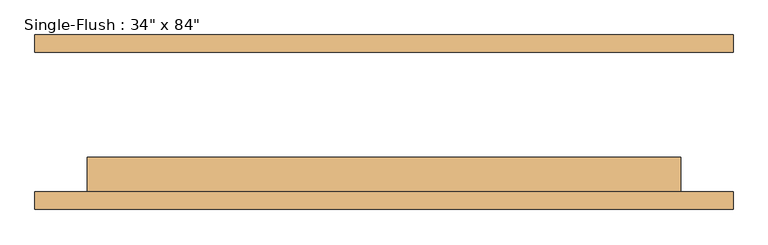
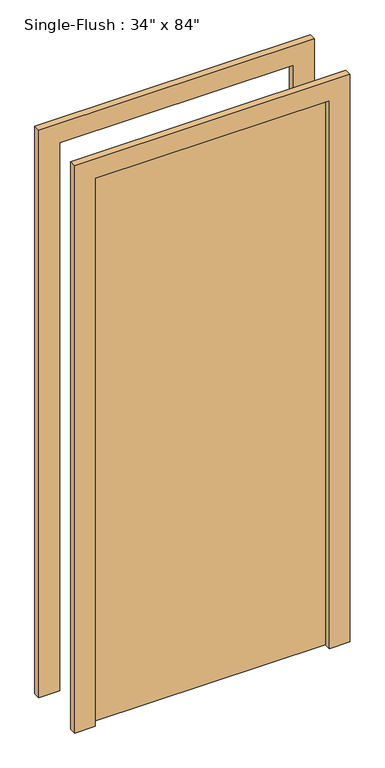
"""IFC4 building model written with IfcOpenShell, lengths in millimetres: door geometry."""

import ifcopenshell
import ifcopenshell.guid

model = None  # the IFC model being written
_history = None  # IfcOwnerHistory: only IFC2X3 demands one
_inside = {}  # id of a spatial element -> (the spatial element, [elements in it])
_under = {}  # id of a project, library or spatial element -> (it, [spatial elements below it])
_declared = {}  # id of a project -> (the project, [libraries it declares])
_typed = {}  # id of a type object -> (the type object, [elements of that type])
_made_of = {}  # id of a material, layer set ... -> (it, [elements and type objects made of it])


def new_model(schema):
    """Start an empty IFC model of exactly this schema.

    Asked for "IFC4X3", IfcOpenShell would pick the latest addendum, in which some entities
    have other attributes; the version numbers below select the first issue.
    IFC2X3 requires an IfcOwnerHistory on every rooted entity: one is made here for all.
    """
    global model, _history
    if schema == "IFC4X3":
        model = ifcopenshell.file(schema_version=(4, 3, 0, 0))
    else:
        model = ifcopenshell.file(schema=schema)
    _inside.clear()
    _under.clear()
    _declared.clear()
    _typed.clear()
    _made_of.clear()
    _history = None
    if model.schema == "IFC2X3":
        org = make("IfcOrganization", Name="unknown")
        user = make(
            "IfcPersonAndOrganization",
            ThePerson=make("IfcPerson", FamilyName="unknown"),
            TheOrganization=org,
        )
        app = make(
            "IfcApplication",
            ApplicationDeveloper=org,
            Version="unknown",
            ApplicationFullName="unknown",
            ApplicationIdentifier="unknown",
        )
        _history = make(
            "IfcOwnerHistory",
            OwningUser=user,
            OwningApplication=app,
            ChangeAction="ADDED",
            CreationDate=0,
        )
    return model


def make(cls, **values):
    """One entity of the class cls with the attributes given. An attribute that is None is left unset."""
    return model.create_entity(
        cls, **{name: value for name, value in values.items() if value is not None}
    )


def rooted(cls, **values):
    """An entity with a GlobalId (a new one), such as an element, a storey or a relation."""
    return make(cls, GlobalId=ifcopenshell.guid.new(), OwnerHistory=_history, **values)


def si_unit(unit_type, name, prefix=None):
    """IfcSIUnit, for example si_unit("LENGTHUNIT", "METRE", prefix="MILLI")."""
    return make("IfcSIUnit", UnitType=unit_type, Prefix=prefix, Name=name)


def assignment(units):
    """IfcUnitAssignment: the units of a project."""
    return None if units is None else make("IfcUnitAssignment", Units=units)


def point(xyz):
    """IfcCartesianPoint."""
    return None if xyz is None else make("IfcCartesianPoint", Coordinates=xyz)


def direction(xyz):
    """IfcDirection."""
    return None if xyz is None else make("IfcDirection", DirectionRatios=xyz)


def frame(location, z_axis=None, x_axis=None):
    """IfcAxis2Placement3D, a coordinate frame: its origin and axes. An axis left out is left unset."""
    return make(
        "IfcAxis2Placement3D",
        Location=point(location),
        Axis=direction(z_axis),
        RefDirection=direction(x_axis),
    )


def origin():
    """The frame at (0, 0, 0) with its axes left unset."""
    return frame((0.0, 0.0, 0.0))


def origin_with_axes():
    """The frame at (0, 0, 0) with the z axis (0, 0, 1) and the x axis (1, 0, 0) written out."""
    return frame((0.0, 0.0, 0.0), z_axis=(0.0, 0.0, 1.0), x_axis=(1.0, 0.0, 0.0))


def place(relative_to, where):
    """IfcLocalPlacement: puts the frame where relative to a parent placement (None: the world)."""
    return make(
        "IfcLocalPlacement", PlacementRelTo=relative_to, RelativePlacement=where
    )


def context(
    kind, dimensions, precision=None, world=None, true_north=None, identifier=None
):
    """IfcGeometricRepresentationContext, for example the 3D "Model" context."""
    return make(
        "IfcGeometricRepresentationContext",
        ContextIdentifier=identifier,
        ContextType=kind,
        CoordinateSpaceDimension=dimensions,
        Precision=precision,
        WorldCoordinateSystem=world,
        TrueNorth=true_north,
    )


def project(units=None, contexts=None):
    """IfcProject with its units and contexts."""
    return rooted(
        "IfcProject",
        Name="project",
        RepresentationContexts=contexts,
        UnitsInContext=assignment(units),
    )


def spatial(cls, under=None, at=None, **own):
    """A site, building, storey or space (cls), placed at a placement, below another one or the project."""
    s = rooted(cls, ObjectPlacement=at, **own)
    if under is not None:
        _under.setdefault(under.id(), (under, []))[1].append(s)
    return s


def polyline(points):
    """IfcPolyline through the points."""
    return make("IfcPolyline", Points=[point(p) for p in points])


def outline(outer, holes=None, kind="AREA"):
    """IfcArbitraryClosedProfileDef: a profile drawn as a closed curve; with holes, ...WithVoids."""
    if holes is None:
        return make("IfcArbitraryClosedProfileDef", ProfileType=kind, OuterCurve=outer)
    return make(
        "IfcArbitraryProfileDefWithVoids",
        ProfileType=kind,
        OuterCurve=outer,
        InnerCurves=holes,
    )


def extrude(swept, where, along, depth):
    """IfcExtrudedAreaSolid: the profile swept, set in the frame where, extruded along a direction by depth."""
    return make(
        "IfcExtrudedAreaSolid",
        SweptArea=swept,
        Position=where,
        ExtrudedDirection=direction(along),
        Depth=depth,
    )


def shape(context_of_items, identifier, shape_type, items):
    """IfcShapeRepresentation: the items that make up one representation, for example the "Body"."""
    return make(
        "IfcShapeRepresentation",
        ContextOfItems=context_of_items,
        RepresentationIdentifier=identifier,
        RepresentationType=shape_type,
        Items=items,
    )


def source(mapping_origin, context_of_items, identifier, shape_type, items):
    """IfcRepresentationMap: a shape defined once, which mapped items show again and again."""
    return make(
        "IfcRepresentationMap",
        MappingOrigin=mapping_origin,
        MappedRepresentation=shape(context_of_items, identifier, shape_type, items),
    )


def transform(
    local_origin,
    x_axis=None,
    y_axis=None,
    z_axis=None,
    scale=None,
    scale2=None,
    scale3=None,
    uniform=True,
):
    """IfcCartesianTransformationOperator3D, or its non-uniform kind. x_axis, y_axis, z_axis: its Axis1, 2, 3."""
    if uniform:
        return make(
            "IfcCartesianTransformationOperator3D",
            Axis1=direction(x_axis),
            Axis2=direction(y_axis),
            LocalOrigin=point(local_origin),
            Scale=scale,
            Axis3=direction(z_axis),
        )
    return make(
        "IfcCartesianTransformationOperator3DnonUniform",
        Axis1=direction(x_axis),
        Axis2=direction(y_axis),
        LocalOrigin=point(local_origin),
        Scale=scale,
        Axis3=direction(z_axis),
        Scale2=scale2,
        Scale3=scale3,
    )


def mapped(mapping_source, mapping_target):
    """IfcMappedItem: shows the shape of a source again, moved by a transform."""
    return make(
        "IfcMappedItem", MappingSource=mapping_source, MappingTarget=mapping_target
    )


def made_of(thing, what):
    """Note that an element or type object is made of a material, layer set ...; save() writes the relation."""
    if what is not None:
        _made_of.setdefault(what.id(), (what, []))[1].append(thing)
    return thing


def element(
    cls,
    number,
    at=None,
    inside=None,
    cuts=None,
    type_object=None,
    material=None,
    context=None,
    identifier="Body",
    shape_type=None,
    held_by="IfcProductDefinitionShape",
    body=None,
    shapes=None,
    **own,
):
    """One element of the class cls, such as IfcWall. Its Tag is "e" and its number.

    at: its placement. inside: the storey or other place that contains it. cuts: it is an
    opening in that element (IfcRelVoidsElement). A single representation is given by context,
    identifier, shape_type and body (its items); several are given by shapes. held_by: the class
    of the entity that holds the representations. save() writes the other relations.
    """
    e = rooted(cls, Tag="e%d" % number, ObjectPlacement=at, **own)
    if body is not None:
        shapes = [shape(context, identifier, shape_type, body)]
    if shapes is not None:
        e.Representation = make(held_by, Representations=shapes)
    if inside is not None:
        _inside.setdefault(inside.id(), (inside, []))[1].append(e)
    if cuts is not None:
        rooted(
            "IfcRelVoidsElement", RelatingBuildingElement=cuts, RelatedOpeningElement=e
        )
    if type_object is not None:
        _typed.setdefault(type_object.id(), (type_object, []))[1].append(e)
    return made_of(e, material)


def aggregate(whole, parts):
    """IfcRelAggregates: a whole, such as a stair, and the parts it consists of."""
    return rooted("IfcRelAggregates", RelatingObject=whole, RelatedObjects=parts)


def save(model, path):
    """Write the relations noted so far, then the file.

    IfcRelAggregates (storeys below a building ...), IfcRelContainedInSpatialStructure (elements
    in a storey), IfcRelDefinesByType, IfcRelAssociatesMaterial and IfcRelDeclares: one each for
    every whole, place, type object, material and project.
    """
    for whole, parts in _under.values():
        aggregate(whole, parts)
    for where, things in _inside.values():
        rooted(
            "IfcRelContainedInSpatialStructure",
            RelatedElements=things,
            RelatingStructure=where,
        )
    for kind, things in _typed.values():
        rooted("IfcRelDefinesByType", RelatedObjects=things, RelatingType=kind)
    for what, things in _made_of.values():
        rooted("IfcRelAssociatesMaterial", RelatedObjects=things, RelatingMaterial=what)
    for by, libraries in _declared.values():
        rooted("IfcRelDeclares", RelatingContext=by, RelatedDefinitions=libraries)
    model.write(path)


def door_74220ae7(model_context):
    return source(origin(), model_context, "Body", "SweptSolid", [
        extrude(outline(polyline([(2209.8, -508.0), (0.0, -508.0), (0.0, -431.8), (2133.6, -431.8), (2133.6, 431.8), (0.0, 431.8), (0.0, 508.0), (2209.8, 508.0), (2209.8, -508.0)])), frame((0.0, -127.0, 0.0), z_axis=(0.0, 1.0, 0.0), x_axis=(0.0, 0.0, 1.0)), (0.0, 0.0, 1.0), 25.4),
        extrude(outline(polyline([(2209.8, 508.0), (2209.8, -508.0), (0.0, -508.0), (0.0, -431.8), (2133.6, -431.8), (2133.6, 431.8), (0.0, 431.8), (0.0, 508.0), (2209.8, 508.0)])), frame((0.0, 101.6, 0.0), z_axis=(0.0, 1.0, 0.0), x_axis=(0.0, 0.0, 1.0)), (0.0, 0.0, 1.0), 25.4),
        extrude(outline(polyline([(431.8, -50.8), (431.8, -101.6), (-431.8, -101.6), (-431.8, -50.8), (431.8, -50.8)])), origin_with_axes(), (0.0, 0.0, 1.0), 2133.6),
    ])


if __name__ == "__main__":
    model = new_model("IFC4")
    model_context = context("Model", 3, world=origin())
    ifc_project = project(units=[si_unit("LENGTHUNIT", "METRE", prefix="MILLI")], contexts=[model_context])
    site = spatial("IfcSite", under=ifc_project)
    building = spatial("IfcBuilding", under=site)
    placement = place(None, origin())
    door_shape = door_74220ae7(model_context)
    element("IfcDoor", 1, ObjectType="Single-Flush : 34\" x 84\"", at=placement, inside=building, context=model_context, shape_type="MappedRepresentation", body=[
        mapped(door_shape, transform((0.0, 0.0, 0.0), x_axis=(1.0, 0.0, 0.0), y_axis=(0.0, 1.0, 0.0), z_axis=(0.0, 0.0, 1.0))),
    ])
    save(model, "model.ifc")
